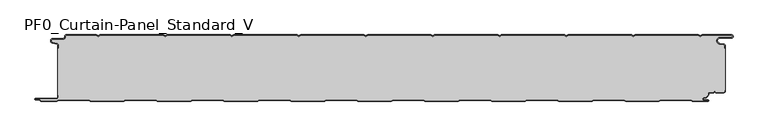
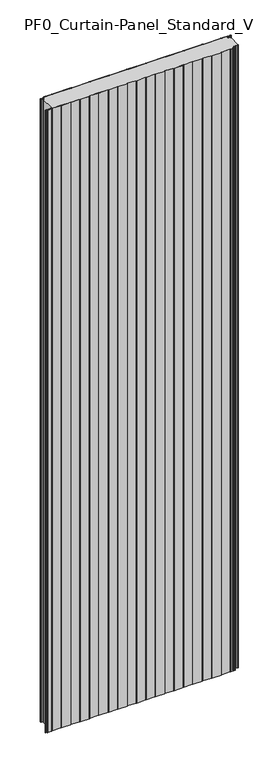
"""IFC4 building model written with IfcOpenShell, lengths in millimetres: plate geometry, PF0_Curtain-Panel_Standard_V."""

import ifcopenshell
import ifcopenshell.guid

model = None  # the IFC model being written
_history = None  # IfcOwnerHistory: only IFC2X3 demands one
_inside = {}  # id of a spatial element -> (the spatial element, [elements in it])
_under = {}  # id of a project, library or spatial element -> (it, [spatial elements below it])
_declared = {}  # id of a project -> (the project, [libraries it declares])
_typed = {}  # id of a type object -> (the type object, [elements of that type])
_made_of = {}  # id of a material, layer set ... -> (it, [elements and type objects made of it])


def new_model(schema):
    """Start an empty IFC model of exactly this schema.

    Asked for "IFC4X3", IfcOpenShell would pick the latest addendum, in which some entities
    have other attributes; the version numbers below select the first issue.
    IFC2X3 requires an IfcOwnerHistory on every rooted entity: one is made here for all.
    """
    global model, _history
    if schema == "IFC4X3":
        model = ifcopenshell.file(schema_version=(4, 3, 0, 0))
    else:
        model = ifcopenshell.file(schema=schema)
    _inside.clear()
    _under.clear()
    _declared.clear()
    _typed.clear()
    _made_of.clear()
    _history = None
    if model.schema == "IFC2X3":
        org = make("IfcOrganization", Name="unknown")
        user = make(
            "IfcPersonAndOrganization",
            ThePerson=make("IfcPerson", FamilyName="unknown"),
            TheOrganization=org,
        )
        app = make(
            "IfcApplication",
            ApplicationDeveloper=org,
            Version="unknown",
            ApplicationFullName="unknown",
            ApplicationIdentifier="unknown",
        )
        _history = make(
            "IfcOwnerHistory",
            OwningUser=user,
            OwningApplication=app,
            ChangeAction="ADDED",
            CreationDate=0,
        )
    return model


def make(cls, **values):
    """One entity of the class cls with the attributes given. An attribute that is None is left unset."""
    return model.create_entity(
        cls, **{name: value for name, value in values.items() if value is not None}
    )


def rooted(cls, **values):
    """An entity with a GlobalId (a new one), such as an element, a storey or a relation."""
    return make(cls, GlobalId=ifcopenshell.guid.new(), OwnerHistory=_history, **values)


def si_unit(unit_type, name, prefix=None):
    """IfcSIUnit, for example si_unit("LENGTHUNIT", "METRE", prefix="MILLI")."""
    return make("IfcSIUnit", UnitType=unit_type, Prefix=prefix, Name=name)


def assignment(units):
    """IfcUnitAssignment: the units of a project."""
    return None if units is None else make("IfcUnitAssignment", Units=units)


def point(xyz):
    """IfcCartesianPoint."""
    return None if xyz is None else make("IfcCartesianPoint", Coordinates=xyz)


def direction(xyz):
    """IfcDirection."""
    return None if xyz is None else make("IfcDirection", DirectionRatios=xyz)


def frame(location, z_axis=None, x_axis=None):
    """IfcAxis2Placement3D, a coordinate frame: its origin and axes. An axis left out is left unset."""
    return make(
        "IfcAxis2Placement3D",
        Location=point(location),
        Axis=direction(z_axis),
        RefDirection=direction(x_axis),
    )


def frame_2d(location, x_axis=None):
    """IfcAxis2Placement2D, a coordinate frame in the plane: its origin and x axis."""
    return make(
        "IfcAxis2Placement2D", Location=point(location), RefDirection=direction(x_axis)
    )


def origin():
    """The frame at (0, 0, 0) with its axes left unset."""
    return frame((0.0, 0.0, 0.0))


def origin_with_axes():
    """The frame at (0, 0, 0) with the z axis (0, 0, 1) and the x axis (1, 0, 0) written out."""
    return frame((0.0, 0.0, 0.0), z_axis=(0.0, 0.0, 1.0), x_axis=(1.0, 0.0, 0.0))


def place(relative_to, where):
    """IfcLocalPlacement: puts the frame where relative to a parent placement (None: the world)."""
    return make(
        "IfcLocalPlacement", PlacementRelTo=relative_to, RelativePlacement=where
    )


def context(
    kind, dimensions, precision=None, world=None, true_north=None, identifier=None
):
    """IfcGeometricRepresentationContext, for example the 3D "Model" context."""
    return make(
        "IfcGeometricRepresentationContext",
        ContextIdentifier=identifier,
        ContextType=kind,
        CoordinateSpaceDimension=dimensions,
        Precision=precision,
        WorldCoordinateSystem=world,
        TrueNorth=true_north,
    )


def project(units=None, contexts=None):
    """IfcProject with its units and contexts."""
    return rooted(
        "IfcProject",
        Name="project",
        RepresentationContexts=contexts,
        UnitsInContext=assignment(units),
    )


def spatial(cls, under=None, at=None, **own):
    """A site, building, storey or space (cls), placed at a placement, below another one or the project."""
    s = rooted(cls, ObjectPlacement=at, **own)
    if under is not None:
        _under.setdefault(under.id(), (under, []))[1].append(s)
    return s


def polyline(points):
    """IfcPolyline through the points."""
    return make("IfcPolyline", Points=[point(p) for p in points])


def circle_curve(where, radius):
    """IfcCircle in the frame where."""
    return make("IfcCircle", Position=where, Radius=radius)


def trimmed(basis, trim1, trim2, sense, master):
    """IfcTrimmedCurve: the piece of a basis curve between two trims."""
    return make(
        "IfcTrimmedCurve",
        BasisCurve=basis,
        Trim1=trim1,
        Trim2=trim2,
        SenseAgreement=sense,
        MasterRepresentation=master,
    )


def segment(curve, same_sense, transition):
    """IfcCompositeCurveSegment."""
    return make(
        "IfcCompositeCurveSegment",
        Transition=transition,
        SameSense=same_sense,
        ParentCurve=curve,
    )


def composite_curve(segments, self_intersect=None):
    """IfcCompositeCurve: segments joined end to end."""
    return make("IfcCompositeCurve", Segments=segments, SelfIntersect=self_intersect)


def outline(outer, holes=None, kind="AREA"):
    """IfcArbitraryClosedProfileDef: a profile drawn as a closed curve; with holes, ...WithVoids."""
    if holes is None:
        return make("IfcArbitraryClosedProfileDef", ProfileType=kind, OuterCurve=outer)
    return make(
        "IfcArbitraryProfileDefWithVoids",
        ProfileType=kind,
        OuterCurve=outer,
        InnerCurves=holes,
    )


def extrude(swept, where, along, depth):
    """IfcExtrudedAreaSolid: the profile swept, set in the frame where, extruded along a direction by depth."""
    return make(
        "IfcExtrudedAreaSolid",
        SweptArea=swept,
        Position=where,
        ExtrudedDirection=direction(along),
        Depth=depth,
    )


def shape(context_of_items, identifier, shape_type, items):
    """IfcShapeRepresentation: the items that make up one representation, for example the "Body"."""
    return make(
        "IfcShapeRepresentation",
        ContextOfItems=context_of_items,
        RepresentationIdentifier=identifier,
        RepresentationType=shape_type,
        Items=items,
    )


def source(mapping_origin, context_of_items, identifier, shape_type, items):
    """IfcRepresentationMap: a shape defined once, which mapped items show again and again."""
    return make(
        "IfcRepresentationMap",
        MappingOrigin=mapping_origin,
        MappedRepresentation=shape(context_of_items, identifier, shape_type, items),
    )


def transform(
    local_origin,
    x_axis=None,
    y_axis=None,
    z_axis=None,
    scale=None,
    scale2=None,
    scale3=None,
    uniform=True,
):
    """IfcCartesianTransformationOperator3D, or its non-uniform kind. x_axis, y_axis, z_axis: its Axis1, 2, 3."""
    if uniform:
        return make(
            "IfcCartesianTransformationOperator3D",
            Axis1=direction(x_axis),
            Axis2=direction(y_axis),
            LocalOrigin=point(local_origin),
            Scale=scale,
            Axis3=direction(z_axis),
        )
    return make(
        "IfcCartesianTransformationOperator3DnonUniform",
        Axis1=direction(x_axis),
        Axis2=direction(y_axis),
        LocalOrigin=point(local_origin),
        Scale=scale,
        Axis3=direction(z_axis),
        Scale2=scale2,
        Scale3=scale3,
    )


def mapped(mapping_source, mapping_target):
    """IfcMappedItem: shows the shape of a source again, moved by a transform."""
    return make(
        "IfcMappedItem", MappingSource=mapping_source, MappingTarget=mapping_target
    )


def made_of(thing, what):
    """Note that an element or type object is made of a material, layer set ...; save() writes the relation."""
    if what is not None:
        _made_of.setdefault(what.id(), (what, []))[1].append(thing)
    return thing


def element(
    cls,
    number,
    at=None,
    inside=None,
    cuts=None,
    type_object=None,
    material=None,
    context=None,
    identifier="Body",
    shape_type=None,
    held_by="IfcProductDefinitionShape",
    body=None,
    shapes=None,
    **own,
):
    """One element of the class cls, such as IfcWall. Its Tag is "e" and its number.

    at: its placement. inside: the storey or other place that contains it. cuts: it is an
    opening in that element (IfcRelVoidsElement). A single representation is given by context,
    identifier, shape_type and body (its items); several are given by shapes. held_by: the class
    of the entity that holds the representations. save() writes the other relations.
    """
    e = rooted(cls, Tag="e%d" % number, ObjectPlacement=at, **own)
    if body is not None:
        shapes = [shape(context, identifier, shape_type, body)]
    if shapes is not None:
        e.Representation = make(held_by, Representations=shapes)
    if inside is not None:
        _inside.setdefault(inside.id(), (inside, []))[1].append(e)
    if cuts is not None:
        rooted(
            "IfcRelVoidsElement", RelatingBuildingElement=cuts, RelatedOpeningElement=e
        )
    if type_object is not None:
        _typed.setdefault(type_object.id(), (type_object, []))[1].append(e)
    return made_of(e, material)


def aggregate(whole, parts):
    """IfcRelAggregates: a whole, such as a stair, and the parts it consists of."""
    return rooted("IfcRelAggregates", RelatingObject=whole, RelatedObjects=parts)


def save(model, path):
    """Write the relations noted so far, then the file.

    IfcRelAggregates (storeys below a building ...), IfcRelContainedInSpatialStructure (elements
    in a storey), IfcRelDefinesByType, IfcRelAssociatesMaterial and IfcRelDeclares: one each for
    every whole, place, type object, material and project.
    """
    for whole, parts in _under.values():
        aggregate(whole, parts)
    for where, things in _inside.values():
        rooted(
            "IfcRelContainedInSpatialStructure",
            RelatedElements=things,
            RelatingStructure=where,
        )
    for kind, things in _typed.values():
        rooted("IfcRelDefinesByType", RelatedObjects=things, RelatingType=kind)
    for what, things in _made_of.values():
        rooted("IfcRelAssociatesMaterial", RelatedObjects=things, RelatingMaterial=what)
    for by, libraries in _declared.values():
        rooted("IfcRelDeclares", RelatingContext=by, RelatedDefinitions=libraries)
    model.write(path)


def pf0_curtain_panel_standard_v_ad09330d(model_context):
    return source(origin(), model_context, "Body", "SweptSolid", [
        extrude(outline(composite_curve([segment(trimmed(circle_curve(frame_2d((-502.0, -15.878557)), 2.0), [point((-500.0, -15.878557))], [point((-501.5500978, -13.9298169))], True, "CARTESIAN"), True, "CONTINUOUS"), segment(polyline([(-501.5500978, -13.9298169), (-507.7098239, -12.507732)]), True, "CONTINUOUS"), segment(trimmed(circle_curve(frame_2d((-506.9, -9.0)), 3.6), [point((-507.7098239, -12.507732))], [point((-506.9, -5.4))], False, "CARTESIAN"), True, "CONTINUOUS"), segment(polyline([(-506.9, -5.4), (-491.4, -5.4)]), True, "CONTINUOUS"), segment(trimmed(circle_curve(frame_2d((-491.4, -3.4)), 2.0), [point((-491.4, -5.4))], [point((-489.4, -3.4))], True, "CARTESIAN"), True, "CONTINUOUS"), segment(polyline([(-489.4, -3.4), (-489.4, -2.0)]), True, "CONTINUOUS"), segment(trimmed(circle_curve(frame_2d((-487.4, -2.0)), 2.0), [point((-489.4, -2.0))], [point((-487.4, 0.0))], False, "CARTESIAN"), True, "CONTINUOUS"), segment(polyline([(-487.4, 0.0), (-442.0999995, 0.0), (-439.4, -1.5588455), (-436.7000005, 0.0), (-342.0999995, 0.0), (-339.4, -1.5588455), (-336.7000005, 0.0), (-242.0999995, 0.0), (-239.4, -1.5588455), (-236.7000005, 0.0), (-142.0999995, 0.0), (-139.4, -1.5588455), (-136.7000005, 0.0), (-42.0999995, 0.0), (-39.4, -1.5588455), (-36.7000005, 0.0), (57.9000005, 0.0), (60.6, -1.5588455), (63.2999995, 0.0), (157.9000005, 0.0), (160.6, -1.5588455), (163.2999995, 0.0), (257.9000005, 0.0), (260.6, -1.5588455), (263.2999995, 0.0), (357.9000005, 0.0), (360.6, -1.5588455), (363.2999995, 0.0), (457.9000005, 0.0), (460.6, -1.5588455), (463.2999995, 0.0), (507.268846, 0.0)]), True, "CONTINUOUS"), segment(trimmed(circle_curve(frame_2d((507.268846, -2.5)), 2.5), [point((507.268846, 0.0))], [point((507.268846, -5.0))], False, "CARTESIAN"), True, "CONTINUOUS"), segment(polyline([(507.268846, -5.0), (490.268846, -5.0)]), True, "CONTINUOUS"), segment(trimmed(circle_curve(frame_2d((490.268846, -9.0)), 4.0), [point((490.268846, -5.0))], [point((489.574253, -12.939231))], True, "CARTESIAN"), True, "CONTINUOUS"), segment(polyline([(489.574253, -12.939231), (496.0203315, -14.0758491)]), True, "CONTINUOUS"), segment(trimmed(circle_curve(frame_2d((495.568846, -16.6363492)), 2.6), [point((496.0203315, -14.0758491))], [point((498.168846, -16.6363492))], False, "CARTESIAN"), True, "CONTINUOUS"), segment(polyline([(498.168846, -16.6363492), (498.168846, -20.0), (497.368846, -20.0), (497.368846, -16.6363492)]), True, "CONTINUOUS"), segment(trimmed(circle_curve(frame_2d((495.568846, -16.6363492)), 1.8), [point((497.368846, -16.6363492))], [point((495.8814129, -14.8636953))], True, "CARTESIAN"), True, "CONTINUOUS"), segment(polyline([(495.8814129, -14.8636953), (489.4353344, -13.7270772)]), True, "CONTINUOUS"), segment(trimmed(circle_curve(frame_2d((490.268846, -9.0)), 4.8), [point((489.4353344, -13.7270772))], [point((490.268846, -4.2))], False, "CARTESIAN"), True, "CONTINUOUS"), segment(polyline([(490.268846, -4.2), (507.268846, -4.2)]), True, "CONTINUOUS"), segment(trimmed(circle_curve(frame_2d((507.268846, -2.5)), 1.7), [point((507.268846, -4.2))], [point((507.268846, -0.8))], True, "CARTESIAN"), True, "CONTINUOUS"), segment(polyline([(507.268846, -0.8), (463.5143588, -0.8), (460.6, -2.482606), (457.6856412, -0.8), (363.5143588, -0.8), (360.6, -2.482606), (357.6856412, -0.8), (263.5143588, -0.8), (260.6, -2.482606), (257.6856412, -0.8), (163.5143588, -0.8), (160.6, -2.482606), (157.6856412, -0.8), (63.5143588, -0.8), (60.6, -2.482606), (57.6856412, -0.8), (-36.4856412, -0.8), (-39.4, -2.482606), (-42.3143588, -0.8), (-136.4856412, -0.8), (-139.4, -2.482606), (-142.3143588, -0.8), (-236.4856412, -0.8), (-239.4, -2.482606), (-242.3143588, -0.8), (-336.4856412, -0.8), (-339.4, -2.482606), (-342.3143588, -0.8), (-436.4856412, -0.8), (-439.4, -2.482606), (-442.3143588, -0.8), (-487.4, -0.8)]), True, "CONTINUOUS"), segment(trimmed(circle_curve(frame_2d((-487.4, -2.0)), 1.2), [point((-487.4, -0.8))], [point((-488.6, -2.0))], True, "CARTESIAN"), True, "CONTINUOUS"), segment(polyline([(-488.6, -2.0), (-488.6, -3.4)]), True, "CONTINUOUS"), segment(trimmed(circle_curve(frame_2d((-491.4, -3.4)), 2.8), [point((-488.6, -3.4))], [point((-491.4, -6.2))], False, "CARTESIAN"), True, "CONTINUOUS"), segment(polyline([(-491.4, -6.2), (-506.9, -6.2)]), True, "CONTINUOUS"), segment(trimmed(circle_curve(frame_2d((-506.9, -9.0)), 2.8), [point((-506.9, -6.2))], [point((-507.529863, -11.7282362))], True, "CARTESIAN"), True, "CONTINUOUS"), segment(polyline([(-507.529863, -11.7282362), (-501.370137, -13.150321)]), True, "CONTINUOUS"), segment(trimmed(circle_curve(frame_2d((-502.0, -15.878557)), 2.8), [point((-501.370137, -13.150321))], [point((-499.2, -15.878557))], False, "CARTESIAN"), True, "CONTINUOUS"), segment(polyline([(-499.2, -15.878557), (-499.2, -20.0), (-500.0, -20.0), (-500.0, -15.878557)]), True, "CONTINUOUS")], self_intersect=False)), origin_with_axes(), (0.0, 0.0, 1.0), 3500.0),
        extrude(outline(composite_curve([segment(polyline([(-499.2, -90.0), (-500.0, -90.0), (-500.0, -20.0), (-499.2, -20.0), (-499.2, -15.878557)]), True, "CONTINUOUS"), segment(trimmed(circle_curve(frame_2d((-502.0, -15.878557)), 2.8), [point((-499.2, -15.878557))], [point((-501.370137, -13.1503208))], True, "CARTESIAN"), True, "CONTINUOUS"), segment(polyline([(-501.370137, -13.1503208), (-507.529863, -11.7282362)]), True, "CONTINUOUS"), segment(trimmed(circle_curve(frame_2d((-506.9, -9.0)), 2.8), [point((-507.529863, -11.7282362))], [point((-506.9, -6.2))], False, "CARTESIAN"), True, "CONTINUOUS"), segment(polyline([(-506.9, -6.2), (-491.4, -6.2)]), True, "CONTINUOUS"), segment(trimmed(circle_curve(frame_2d((-491.4, -3.4)), 2.8), [point((-491.4, -6.2))], [point((-488.6, -3.4))], True, "CARTESIAN"), True, "CONTINUOUS"), segment(polyline([(-488.6, -3.4), (-488.6, -2.0)]), True, "CONTINUOUS"), segment(trimmed(circle_curve(frame_2d((-487.4, -2.0)), 1.2), [point((-488.6, -2.0))], [point((-487.4, -0.8))], False, "CARTESIAN"), True, "CONTINUOUS"), segment(polyline([(-487.4, -0.8), (-442.3143588, -0.8), (-439.4, -2.482606), (-436.4856412, -0.8), (-342.3143588, -0.8), (-339.4, -2.482606), (-336.4856412, -0.8), (-242.3143588, -0.8), (-239.4, -2.482606), (-236.4856412, -0.8), (-142.3143588, -0.8), (-139.4, -2.482606), (-136.4856412, -0.8), (-42.3143588, -0.8), (-39.4, -2.482606), (-36.4856412, -0.8), (57.6856412, -0.8), (60.6, -2.482606), (63.5143588, -0.8), (157.6856412, -0.8), (160.6, -2.482606), (163.5143588, -0.8), (257.6856412, -0.8), (260.6, -2.482606), (263.5143588, -0.8), (357.6856412, -0.8), (360.6, -2.482606), (363.5143588, -0.8), (457.6856412, -0.8), (460.6, -2.482606), (463.5143588, -0.8), (507.268846, -0.8)]), True, "CONTINUOUS"), segment(trimmed(circle_curve(frame_2d((507.268846, -2.5)), 1.7), [point((507.268846, -0.8))], [point((507.268846, -4.2))], False, "CARTESIAN"), True, "CONTINUOUS"), segment(polyline([(507.268846, -4.2), (490.268846, -4.2)]), True, "CONTINUOUS"), segment(trimmed(circle_curve(frame_2d((490.268846, -9.0)), 4.8), [point((490.268846, -4.2))], [point((489.4353344, -13.7270772))], True, "CARTESIAN"), True, "CONTINUOUS"), segment(polyline([(489.4353344, -13.7270772), (495.8814129, -14.8636953)]), True, "CONTINUOUS"), segment(trimmed(circle_curve(frame_2d((495.568846, -16.6363492)), 1.8), [point((495.8814129, -14.8636953))], [point((497.368846, -16.6363492))], False, "CARTESIAN"), True, "CONTINUOUS"), segment(polyline([(497.368846, -16.6363492), (497.368846, -20.0), (498.168846, -20.0), (498.168846, -83.0), (497.368846, -83.0), (497.368846, -84.4)]), True, "CONTINUOUS"), segment(trimmed(circle_curve(frame_2d((495.568846, -84.4)), 1.8), [point((497.368846, -84.4))], [point((495.568846, -86.2))], False, "CARTESIAN"), True, "CONTINUOUS"), segment(polyline([(495.568846, -86.2), (484.0002158, -86.2), (482.168846, -84.3686285), (480.3374762, -86.2), (474.168846, -86.2)]), True, "CONTINUOUS"), segment(trimmed(circle_curve(frame_2d((474.168846, -88.0)), 1.8), [point((474.168846, -86.2))], [point((472.368846, -88.0))], True, "CARTESIAN"), True, "CONTINUOUS"), segment(polyline([(472.368846, -88.0), (472.368846, -88.8276204)]), True, "CONTINUOUS"), segment(trimmed(circle_curve(frame_2d((466.9964664, -88.8276204)), 5.3723796), [point((472.368846, -88.8276204))], [point((466.9964664, -94.2))], False, "CARTESIAN"), True, "CONTINUOUS"), segment(polyline([(466.9964664, -94.2), (466.168846, -94.2)]), True, "CONTINUOUS"), segment(trimmed(circle_curve(frame_2d((466.168846, -96.4)), 2.2), [point((466.168846, -94.2))], [point((466.168846, -98.6))], True, "CARTESIAN"), True, "CONTINUOUS"), segment(polyline([(466.168846, -98.6), (472.0579973, -98.6)]), True, "CONTINUOUS"), segment(trimmed(circle_curve(frame_2d((472.0579973, -98.9)), 0.3), [point((472.0579973, -98.6))], [point((472.0579973, -99.2))], False, "CARTESIAN"), True, "CONTINUOUS"), segment(polyline([(472.0579973, -99.2), (449.2152562, -99.2), (446.6171786, -97.7), (401.3884624, -97.7), (398.7903848, -99.2), (349.2152562, -99.2), (346.6171786, -97.7), (301.3884624, -97.7), (298.7903848, -99.2), (249.2152562, -99.2), (246.6171786, -97.7), (201.3884624, -97.7), (198.7903848, -99.2), (149.2152562, -99.2), (146.6171786, -97.7), (101.3884624, -97.7), (98.7903848, -99.2), (49.2152562, -99.2), (46.6171786, -97.7), (1.3884624, -97.7), (-1.2096152, -99.2), (-50.7847438, -99.2), (-53.3828214, -97.7), (-98.6115376, -97.7), (-101.2096152, -99.2), (-150.7847438, -99.2), (-153.3828214, -97.7), (-198.6115376, -97.7), (-201.2096152, -99.2), (-250.7847438, -99.2), (-253.3828214, -97.7), (-298.6115376, -97.7), (-301.2096152, -99.2), (-350.7847438, -99.2), (-353.3828214, -97.7), (-398.6115376, -97.7), (-401.2096152, -99.2), (-450.7847438, -99.2), (-453.3828214, -97.7), (-498.6115376, -97.7), (-501.2096152, -99.2), (-524.4, -99.2)]), True, "CONTINUOUS"), segment(trimmed(circle_curve(frame_2d((-524.4, -98.4)), 0.8), [point((-524.4, -99.2))], [point((-525.2, -98.4))], False, "CARTESIAN"), True, "CONTINUOUS"), segment(trimmed(circle_curve(frame_2d((-526.9, -98.6133333)), 1.7133333), [point((-525.2, -98.4))], [point((-526.9, -96.9))], True, "CARTESIAN"), True, "CONTINUOUS"), segment(polyline([(-526.9, -96.9), (-532.8700312, -96.9)]), True, "CONTINUOUS"), segment(trimmed(circle_curve(frame_2d((-532.8700312, -96.6)), 0.3), [point((-532.8700312, -96.9))], [point((-532.8700312, -96.3))], False, "CARTESIAN"), True, "CONTINUOUS"), segment(polyline([(-532.8700312, -96.3), (-502.0, -96.3)]), True, "CONTINUOUS"), segment(trimmed(circle_curve(frame_2d((-502.0, -93.5)), 2.8), [point((-502.0, -96.3))], [point((-499.2, -93.5))], True, "CARTESIAN"), True, "CONTINUOUS"), segment(polyline([(-499.2, -93.5), (-499.2, -90.0)]), True, "CONTINUOUS")], self_intersect=False)), origin_with_axes(), (0.0, 0.0, 1.0), 3500.0),
        extrude(outline(composite_curve([segment(polyline([(-500.0, -90.0), (-499.2, -90.0), (-499.2, -93.5)]), True, "CONTINUOUS"), segment(trimmed(circle_curve(frame_2d((-502.0, -93.5)), 2.8), [point((-499.2, -93.5))], [point((-502.0, -96.3))], False, "CARTESIAN"), True, "CONTINUOUS"), segment(polyline([(-502.0, -96.3), (-532.8700312, -96.3)]), True, "CONTINUOUS"), segment(trimmed(circle_curve(frame_2d((-532.8700312, -96.6)), 0.3), [point((-532.8700312, -96.3))], [point((-532.8700312, -96.9))], True, "CARTESIAN"), True, "CONTINUOUS"), segment(polyline([(-532.8700312, -96.9), (-526.9, -96.9)]), True, "CONTINUOUS"), segment(trimmed(circle_curve(frame_2d((-526.9, -98.6133333)), 1.7133333), [point((-526.9, -96.9))], [point((-525.2, -98.4))], False, "CARTESIAN"), True, "CONTINUOUS"), segment(trimmed(circle_curve(frame_2d((-524.4, -98.4)), 0.8), [point((-525.2, -98.4))], [point((-524.4, -99.2))], True, "CARTESIAN"), True, "CONTINUOUS"), segment(polyline([(-524.4, -99.2), (-501.2096152, -99.2), (-498.6115376, -97.7), (-453.3828214, -97.7), (-450.7847438, -99.2), (-401.2096152, -99.2), (-398.6115376, -97.7), (-353.3828214, -97.7), (-350.7847438, -99.2), (-301.2096152, -99.2), (-298.6115376, -97.7), (-253.3828214, -97.7), (-250.7847438, -99.2), (-201.2096152, -99.2), (-198.6115376, -97.7), (-153.3828214, -97.7), (-150.7847438, -99.2), (-101.2096152, -99.2), (-98.6115376, -97.7), (-53.3828214, -97.7), (-50.7847438, -99.2), (-1.2096152, -99.2), (1.3884624, -97.7), (46.6171786, -97.7), (49.2152562, -99.2), (98.7903848, -99.2), (101.3884624, -97.7), (146.6171786, -97.7), (149.2152562, -99.2), (198.7903848, -99.2), (201.3884624, -97.7), (246.6171786, -97.7), (249.2152562, -99.2), (298.7903848, -99.2), (301.3884624, -97.7), (346.6171786, -97.7), (349.2152562, -99.2), (398.7903848, -99.2), (401.3884624, -97.7), (446.6171786, -97.7), (449.2152562, -99.2), (472.0579973, -99.2)]), True, "CONTINUOUS"), segment(trimmed(circle_curve(frame_2d((472.0579973, -98.9)), 0.3), [point((472.0579973, -99.2))], [point((472.0579973, -98.6))], True, "CARTESIAN"), True, "CONTINUOUS"), segment(polyline([(472.0579973, -98.6), (466.168846, -98.6)]), True, "CONTINUOUS"), segment(trimmed(circle_curve(frame_2d((466.168846, -96.4)), 2.2), [point((466.168846, -98.6))], [point((466.168846, -94.2))], False, "CARTESIAN"), True, "CONTINUOUS"), segment(polyline([(466.168846, -94.2), (466.9964664, -94.2)]), True, "CONTINUOUS"), segment(trimmed(circle_curve(frame_2d((466.9964664, -88.8276204)), 5.3723796), [point((466.9964664, -94.2))], [point((472.368846, -88.8276204))], True, "CARTESIAN"), True, "CONTINUOUS"), segment(polyline([(472.368846, -88.8276204), (472.368846, -88.0)]), True, "CONTINUOUS"), segment(trimmed(circle_curve(frame_2d((474.168846, -88.0)), 1.8), [point((472.368846, -88.0))], [point((474.168846, -86.2))], False, "CARTESIAN"), True, "CONTINUOUS"), segment(polyline([(474.168846, -86.2), (480.3374762, -86.2), (482.168846, -84.3686285), (484.0002158, -86.2), (495.568846, -86.2)]), True, "CONTINUOUS"), segment(trimmed(circle_curve(frame_2d((495.568846, -84.4)), 1.8), [point((495.568846, -86.2))], [point((497.368846, -84.4))], True, "CARTESIAN"), True, "CONTINUOUS"), segment(polyline([(497.368846, -84.4), (497.368846, -83.0), (498.168846, -83.0), (498.168846, -84.4)]), True, "CONTINUOUS"), segment(trimmed(circle_curve(frame_2d((495.568846, -84.4)), 2.6), [point((498.168846, -84.4))], [point((495.568846, -87.0))], False, "CARTESIAN"), True, "CONTINUOUS"), segment(polyline([(495.568846, -87.0), (483.6688448, -87.0), (482.168846, -85.4999999), (480.6688472, -87.0), (474.168846, -87.0)]), True, "CONTINUOUS"), segment(trimmed(circle_curve(frame_2d((474.168846, -88.0)), 1.0), [point((474.168846, -87.0))], [point((473.168846, -88.0))], True, "CARTESIAN"), True, "CONTINUOUS"), segment(polyline([(473.168846, -88.0), (473.168846, -88.8276204)]), True, "CONTINUOUS"), segment(trimmed(circle_curve(frame_2d((466.9964664, -88.8276204)), 6.1723796), [point((473.168846, -88.8276204))], [point((466.9964664, -95.0))], False, "CARTESIAN"), True, "CONTINUOUS"), segment(polyline([(466.9964664, -95.0), (466.168846, -95.0)]), True, "CONTINUOUS"), segment(trimmed(circle_curve(frame_2d((466.168846, -96.5)), 1.5), [point((466.168846, -95.0))], [point((466.168846, -98.0))], True, "CARTESIAN"), True, "CONTINUOUS"), segment(polyline([(466.168846, -98.0), (472.168846, -98.0)]), True, "CONTINUOUS"), segment(trimmed(circle_curve(frame_2d((472.168846, -99.0)), 1.0), [point((472.168846, -98.0))], [point((472.168846, -100.0))], False, "CARTESIAN"), True, "CONTINUOUS"), segment(polyline([(472.168846, -100.0), (449.0008969, -100.0), (446.4028193, -98.5), (401.6028217, -98.5), (399.0047441, -100.0), (349.0008969, -100.0), (346.4028193, -98.5), (301.6028217, -98.5), (299.0047441, -100.0), (249.0008969, -100.0), (246.4028193, -98.5), (201.6028217, -98.5), (199.0047441, -100.0), (149.0008969, -100.0), (146.4028193, -98.5), (101.6028217, -98.5), (99.0047441, -100.0), (49.0008969, -100.0), (46.4028193, -98.5), (1.6028217, -98.5), (-0.9952559, -100.0), (-50.9991031, -100.0), (-53.5971807, -98.5), (-98.3971783, -98.5), (-100.9952559, -100.0), (-150.9991031, -100.0), (-153.5971807, -98.5), (-198.3971783, -98.5), (-200.9952559, -100.0), (-250.9991031, -100.0), (-253.5971807, -98.5), (-298.3971783, -98.5), (-300.9952559, -100.0), (-350.9991031, -100.0), (-353.5971807, -98.5), (-398.3971783, -98.5), (-400.9952559, -100.0), (-450.9991031, -100.0), (-453.5971807, -98.5), (-498.3971783, -98.5), (-500.9952559, -100.0), (-524.4, -100.0)]), True, "CONTINUOUS"), segment(trimmed(circle_curve(frame_2d((-524.4, -98.4)), 1.6), [point((-524.4, -100.0))], [point((-526.0, -98.4))], False, "CARTESIAN"), True, "CONTINUOUS"), segment(trimmed(circle_curve(frame_2d((-526.9, -98.4)), 0.9), [point((-526.0, -98.4))], [point((-526.9, -97.5))], True, "CARTESIAN"), True, "CONTINUOUS"), segment(polyline([(-526.9, -97.5), (-533.0, -97.5)]), True, "CONTINUOUS"), segment(trimmed(circle_curve(frame_2d((-533.0, -96.5)), 1.0), [point((-533.0, -97.5))], [point((-533.0, -95.5))], False, "CARTESIAN"), True, "CONTINUOUS"), segment(polyline([(-533.0, -95.5), (-502.0, -95.5)]), True, "CONTINUOUS"), segment(trimmed(circle_curve(frame_2d((-502.0, -93.5)), 2.0), [point((-502.0, -95.5))], [point((-500.0, -93.5))], True, "CARTESIAN"), True, "CONTINUOUS"), segment(polyline([(-500.0, -93.5), (-500.0, -90.0)]), True, "CONTINUOUS")], self_intersect=False)), origin_with_axes(), (0.0, 0.0, 1.0), 3500.0),
    ])


if __name__ == "__main__":
    model = new_model("IFC4")
    model_context = context("Model", 3, world=origin())
    ifc_project = project(units=[si_unit("LENGTHUNIT", "METRE", prefix="MILLI")], contexts=[model_context])
    site = spatial("IfcSite", under=ifc_project)
    building = spatial("IfcBuilding", under=site)
    placement = place(None, origin())
    pf0_curtain_panel_standard_v_shape = pf0_curtain_panel_standard_v_ad09330d(model_context)
    element("IfcPlate", 1, ObjectType="PF0_Curtain-Panel_Standard_V", at=placement, inside=building, context=model_context, shape_type="MappedRepresentation", body=[
        mapped(pf0_curtain_panel_standard_v_shape, transform((0.0, 0.0, 0.0), x_axis=(1.0, 0.0, 0.0), y_axis=(0.0, 1.0, 0.0), z_axis=(0.0, 0.0, 1.0))),
    ])
    save(model, "model.ifc")
